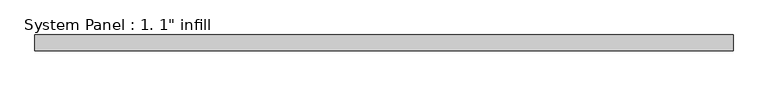
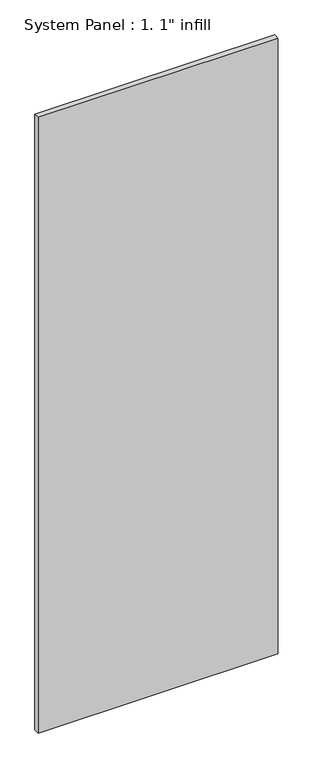
"""IFC4 building model written with IfcOpenShell, lengths in millimetres: plate geometry."""

import ifcopenshell
import ifcopenshell.guid

model = None  # the IFC model being written
_history = None  # IfcOwnerHistory: only IFC2X3 demands one
_inside = {}  # id of a spatial element -> (the spatial element, [elements in it])
_under = {}  # id of a project, library or spatial element -> (it, [spatial elements below it])
_declared = {}  # id of a project -> (the project, [libraries it declares])
_typed = {}  # id of a type object -> (the type object, [elements of that type])
_made_of = {}  # id of a material, layer set ... -> (it, [elements and type objects made of it])


def new_model(schema):
    """Start an empty IFC model of exactly this schema.

    Asked for "IFC4X3", IfcOpenShell would pick the latest addendum, in which some entities
    have other attributes; the version numbers below select the first issue.
    IFC2X3 requires an IfcOwnerHistory on every rooted entity: one is made here for all.
    """
    global model, _history
    if schema == "IFC4X3":
        model = ifcopenshell.file(schema_version=(4, 3, 0, 0))
    else:
        model = ifcopenshell.file(schema=schema)
    _inside.clear()
    _under.clear()
    _declared.clear()
    _typed.clear()
    _made_of.clear()
    _history = None
    if model.schema == "IFC2X3":
        org = make("IfcOrganization", Name="unknown")
        user = make(
            "IfcPersonAndOrganization",
            ThePerson=make("IfcPerson", FamilyName="unknown"),
            TheOrganization=org,
        )
        app = make(
            "IfcApplication",
            ApplicationDeveloper=org,
            Version="unknown",
            ApplicationFullName="unknown",
            ApplicationIdentifier="unknown",
        )
        _history = make(
            "IfcOwnerHistory",
            OwningUser=user,
            OwningApplication=app,
            ChangeAction="ADDED",
            CreationDate=0,
        )
    return model


def make(cls, **values):
    """One entity of the class cls with the attributes given. An attribute that is None is left unset."""
    return model.create_entity(
        cls, **{name: value for name, value in values.items() if value is not None}
    )


def rooted(cls, **values):
    """An entity with a GlobalId (a new one), such as an element, a storey or a relation."""
    return make(cls, GlobalId=ifcopenshell.guid.new(), OwnerHistory=_history, **values)


def si_unit(unit_type, name, prefix=None):
    """IfcSIUnit, for example si_unit("LENGTHUNIT", "METRE", prefix="MILLI")."""
    return make("IfcSIUnit", UnitType=unit_type, Prefix=prefix, Name=name)


def assignment(units):
    """IfcUnitAssignment: the units of a project."""
    return None if units is None else make("IfcUnitAssignment", Units=units)


def point(xyz):
    """IfcCartesianPoint."""
    return None if xyz is None else make("IfcCartesianPoint", Coordinates=xyz)


def direction(xyz):
    """IfcDirection."""
    return None if xyz is None else make("IfcDirection", DirectionRatios=xyz)


def frame(location, z_axis=None, x_axis=None):
    """IfcAxis2Placement3D, a coordinate frame: its origin and axes. An axis left out is left unset."""
    return make(
        "IfcAxis2Placement3D",
        Location=point(location),
        Axis=direction(z_axis),
        RefDirection=direction(x_axis),
    )


def origin():
    """The frame at (0, 0, 0) with its axes left unset."""
    return frame((0.0, 0.0, 0.0))


def origin_with_axes():
    """The frame at (0, 0, 0) with the z axis (0, 0, 1) and the x axis (1, 0, 0) written out."""
    return frame((0.0, 0.0, 0.0), z_axis=(0.0, 0.0, 1.0), x_axis=(1.0, 0.0, 0.0))


def place(relative_to, where):
    """IfcLocalPlacement: puts the frame where relative to a parent placement (None: the world)."""
    return make(
        "IfcLocalPlacement", PlacementRelTo=relative_to, RelativePlacement=where
    )


def context(
    kind, dimensions, precision=None, world=None, true_north=None, identifier=None
):
    """IfcGeometricRepresentationContext, for example the 3D "Model" context."""
    return make(
        "IfcGeometricRepresentationContext",
        ContextIdentifier=identifier,
        ContextType=kind,
        CoordinateSpaceDimension=dimensions,
        Precision=precision,
        WorldCoordinateSystem=world,
        TrueNorth=true_north,
    )


def project(units=None, contexts=None):
    """IfcProject with its units and contexts."""
    return rooted(
        "IfcProject",
        Name="project",
        RepresentationContexts=contexts,
        UnitsInContext=assignment(units),
    )


def spatial(cls, under=None, at=None, **own):
    """A site, building, storey or space (cls), placed at a placement, below another one or the project."""
    s = rooted(cls, ObjectPlacement=at, **own)
    if under is not None:
        _under.setdefault(under.id(), (under, []))[1].append(s)
    return s


def polyline(points):
    """IfcPolyline through the points."""
    return make("IfcPolyline", Points=[point(p) for p in points])


def outline(outer, holes=None, kind="AREA"):
    """IfcArbitraryClosedProfileDef: a profile drawn as a closed curve; with holes, ...WithVoids."""
    if holes is None:
        return make("IfcArbitraryClosedProfileDef", ProfileType=kind, OuterCurve=outer)
    return make(
        "IfcArbitraryProfileDefWithVoids",
        ProfileType=kind,
        OuterCurve=outer,
        InnerCurves=holes,
    )


def extrude(swept, where, along, depth):
    """IfcExtrudedAreaSolid: the profile swept, set in the frame where, extruded along a direction by depth."""
    return make(
        "IfcExtrudedAreaSolid",
        SweptArea=swept,
        Position=where,
        ExtrudedDirection=direction(along),
        Depth=depth,
    )


def shape(context_of_items, identifier, shape_type, items):
    """IfcShapeRepresentation: the items that make up one representation, for example the "Body"."""
    return make(
        "IfcShapeRepresentation",
        ContextOfItems=context_of_items,
        RepresentationIdentifier=identifier,
        RepresentationType=shape_type,
        Items=items,
    )


def source(mapping_origin, context_of_items, identifier, shape_type, items):
    """IfcRepresentationMap: a shape defined once, which mapped items show again and again."""
    return make(
        "IfcRepresentationMap",
        MappingOrigin=mapping_origin,
        MappedRepresentation=shape(context_of_items, identifier, shape_type, items),
    )


def transform(
    local_origin,
    x_axis=None,
    y_axis=None,
    z_axis=None,
    scale=None,
    scale2=None,
    scale3=None,
    uniform=True,
):
    """IfcCartesianTransformationOperator3D, or its non-uniform kind. x_axis, y_axis, z_axis: its Axis1, 2, 3."""
    if uniform:
        return make(
            "IfcCartesianTransformationOperator3D",
            Axis1=direction(x_axis),
            Axis2=direction(y_axis),
            LocalOrigin=point(local_origin),
            Scale=scale,
            Axis3=direction(z_axis),
        )
    return make(
        "IfcCartesianTransformationOperator3DnonUniform",
        Axis1=direction(x_axis),
        Axis2=direction(y_axis),
        LocalOrigin=point(local_origin),
        Scale=scale,
        Axis3=direction(z_axis),
        Scale2=scale2,
        Scale3=scale3,
    )


def mapped(mapping_source, mapping_target):
    """IfcMappedItem: shows the shape of a source again, moved by a transform."""
    return make(
        "IfcMappedItem", MappingSource=mapping_source, MappingTarget=mapping_target
    )


def made_of(thing, what):
    """Note that an element or type object is made of a material, layer set ...; save() writes the relation."""
    if what is not None:
        _made_of.setdefault(what.id(), (what, []))[1].append(thing)
    return thing


def element(
    cls,
    number,
    at=None,
    inside=None,
    cuts=None,
    type_object=None,
    material=None,
    context=None,
    identifier="Body",
    shape_type=None,
    held_by="IfcProductDefinitionShape",
    body=None,
    shapes=None,
    **own,
):
    """One element of the class cls, such as IfcWall. Its Tag is "e" and its number.

    at: its placement. inside: the storey or other place that contains it. cuts: it is an
    opening in that element (IfcRelVoidsElement). A single representation is given by context,
    identifier, shape_type and body (its items); several are given by shapes. held_by: the class
    of the entity that holds the representations. save() writes the other relations.
    """
    e = rooted(cls, Tag="e%d" % number, ObjectPlacement=at, **own)
    if body is not None:
        shapes = [shape(context, identifier, shape_type, body)]
    if shapes is not None:
        e.Representation = make(held_by, Representations=shapes)
    if inside is not None:
        _inside.setdefault(inside.id(), (inside, []))[1].append(e)
    if cuts is not None:
        rooted(
            "IfcRelVoidsElement", RelatingBuildingElement=cuts, RelatedOpeningElement=e
        )
    if type_object is not None:
        _typed.setdefault(type_object.id(), (type_object, []))[1].append(e)
    return made_of(e, material)


def aggregate(whole, parts):
    """IfcRelAggregates: a whole, such as a stair, and the parts it consists of."""
    return rooted("IfcRelAggregates", RelatingObject=whole, RelatedObjects=parts)


def save(model, path):
    """Write the relations noted so far, then the file.

    IfcRelAggregates (storeys below a building ...), IfcRelContainedInSpatialStructure (elements
    in a storey), IfcRelDefinesByType, IfcRelAssociatesMaterial and IfcRelDeclares: one each for
    every whole, place, type object, material and project.
    """
    for whole, parts in _under.values():
        aggregate(whole, parts)
    for where, things in _inside.values():
        rooted(
            "IfcRelContainedInSpatialStructure",
            RelatedElements=things,
            RelatingStructure=where,
        )
    for kind, things in _typed.values():
        rooted("IfcRelDefinesByType", RelatedObjects=things, RelatingType=kind)
    for what, things in _made_of.values():
        rooted("IfcRelAssociatesMaterial", RelatedObjects=things, RelatingMaterial=what)
    for by, libraries in _declared.values():
        rooted("IfcRelDeclares", RelatingContext=by, RelatedDefinitions=libraries)
    model.write(path)


def plate_dd35f8dd(model_context):
    return source(origin(), model_context, "Body", "SweptSolid", [
        extrude(outline(polyline([(561.578125, -12.7), (-561.578125, -12.7), (-561.578125, 12.7), (561.578125, 12.7), (561.578125, -12.7)])), origin_with_axes(), (0.0, 0.0, 1.0), 3048.0),
    ])


if __name__ == "__main__":
    model = new_model("IFC4")
    model_context = context("Model", 3, world=origin())
    ifc_project = project(units=[si_unit("LENGTHUNIT", "METRE", prefix="MILLI")], contexts=[model_context])
    site = spatial("IfcSite", under=ifc_project)
    building = spatial("IfcBuilding", under=site)
    placement = place(None, origin())
    plate_shape = plate_dd35f8dd(model_context)
    element("IfcPlate", 1, ObjectType="System Panel : 1. 1\" infill", at=placement, inside=building, context=model_context, shape_type="MappedRepresentation", body=[
        mapped(plate_shape, transform((0.0, 0.0, 0.0), x_axis=(1.0, 0.0, 0.0), y_axis=(0.0, 1.0, 0.0), z_axis=(0.0, 0.0, 1.0))),
    ])
    save(model, "model.ifc")
